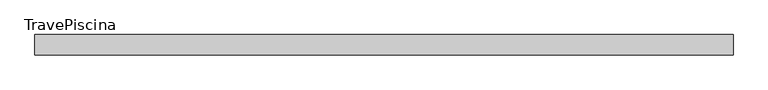
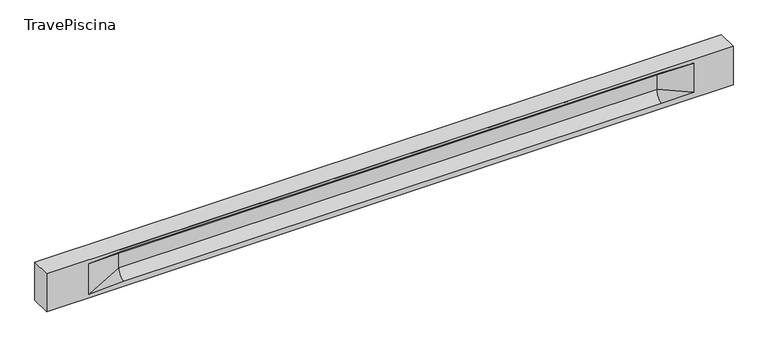
"""IFC4 building model written with IfcOpenShell, lengths in millimetres: beam geometry, TravePiscina."""

from ifc_helpers import new_model, si_unit, frame, origin, place, context, project, spatial, polyline, circle_curve, source, transform, mapped, element, save
from ifc_brep_helpers import plane_surface, revolved_surface, spline_surface, advanced_brep


def travepiscina_e04b5685(model_context):
    return source(origin(), model_context, "Body", "AdvancedBrep", [
        advanced_brep(
        [(8507.5, -250.0, 500.0), (8507.5, -250.0, -500.0), (8507.5, 250.0, -500.0), (8507.5, 250.0, 500.0), (-8507.5, -250.0, 500.0), (-8507.5, -250.0, -500.0), (7532.5, -250.0, -362.0), (6732.5, -250.0, -360.0), (-6607.5, -250.0, -360.0), (-7457.5, -250.0, -400.0), (-7457.5, -250.0, 400.0), (-6607.5, -250.0, 435.0), (6732.5, -250.0, 435.0), (7532.5, -250.0, 400.0), (-8507.5, 250.0, -500.0), (-8507.5, 250.0, 500.0), (7532.5, 250.0, 400.0), (6732.5, 250.0, 435.0), (-6607.5, 250.0, 435.0), (-7457.5, 250.0, 400.0), (-7457.5, 250.0, -400.0), (-6607.5, 250.0, -360.0), (6732.5, 250.0, -360.0), (7532.5, 250.0, -362.0), (6732.5, 155.0, 405.0), (-6607.5, 155.0, 405.0), (-6607.5, -60.0, 262.777021), (6732.5, -60.0, 262.777021), (6732.5, -155.0, 405.0), (-6607.5, -155.0, 405.0), (-6607.5, 60.0, 262.777021), (6732.5, 60.0, 262.777021), (6732.5, 60.0, -120.0), (-6607.5, 60.0, -120.0), (-6607.5, -60.0, -120.0), (6732.5, -60.0, -120.0)],
        [
            (0, 1),
            (1, 2),
            (2, 3),
            (3, 0),
            (0, 4),
            (4, 5),
            (5, 1),
            (6, 7),
            (7, 8),
            (8, 9),
            (9, 10),
            (10, 11),
            (11, 12),
            (12, 13),
            (13, 6),
            (5, 14),
            (14, 2),
            (14, 15),
            (15, 3),
            (16, 17),
            (17, 18),
            (18, 19),
            (19, 20),
            (20, 21),
            (21, 22),
            (22, 23),
            (23, 16),
            (15, 4),
            (17, 24),
            (24, 25),
            (25, 18),
            (26, 27),
            (27, 28, circle_curve(frame((6732.5, -213.9598725, 262.777021), z_axis=(1.0, 0.0, 0.0), x_axis=(0.0, 1.0, 0.0)), 153.9598725)),
            (28, 29),
            (29, 26, circle_curve(frame((-6607.5, -213.9598725, 262.777021), z_axis=(-1.0, 0.0, 0.0), x_axis=(0.0, 1.0, 0.0)), 153.9598725)),
            (30, 31),
            (31, 32),
            (32, 33),
            (33, 30),
            (28, 12),
            (11, 29),
            (34, 35),
            (35, 27),
            (26, 34),
            (25, 19),
            (22, 32, circle_curve(frame((6732.5, 306.5789474, -120.0), z_axis=(-1.0, 0.0, 0.0), x_axis=(0.0, 1.0, 0.0)), 246.5789474)),
            (32, 23),
            (10, 29),
            (10, 26),
            (13, 28),
            (27, 13),
            (30, 19),
            (25, 30, circle_curve(frame((-6607.5, 213.9598725, 262.777021), z_axis=(1.0, 0.0, 0.0), x_axis=(0.0, 1.0, 0.0)), 153.9598725)),
            (9, 34),
            (8, 34, circle_curve(frame((-6607.5, -306.5789474, -120.0), z_axis=(1.0, 0.0, 0.0), x_axis=(0.0, 1.0, 0.0)), 246.5789474)),
            (20, 33),
            (33, 21, circle_curve(frame((-6607.5, 306.5789474, -120.0), z_axis=(1.0, 0.0, 0.0), x_axis=(0.0, 1.0, 0.0)), 246.5789474)),
            (35, 6),
            (35, 7, circle_curve(frame((6732.5, -306.5789474, -120.0), z_axis=(-1.0, 0.0, 0.0), x_axis=(0.0, 1.0, 0.0)), 246.5789474)),
            (31, 16),
            (31, 24, circle_curve(frame((6732.5, 213.9598725, 262.777021), z_axis=(-1.0, 0.0, 0.0), x_axis=(0.0, 1.0, 0.0)), 153.9598725)),
            (24, 16),
        ],
        [
            plane_surface(frame((8507.5, 0.0, 0.0), z_axis=(1.0, 0.0, 0.0), x_axis=(0.0, 0.0, 1.0))),
            plane_surface(frame((8507.5, -250.0, 500.0), z_axis=(0.0, -1.0, 0.0), x_axis=(-1.0, 0.0, 0.0))),
            plane_surface(frame((8507.5, -250.0, -500.0), z_axis=(0.0, 0.0, -1.0), x_axis=(-1.0, 0.0, 0.0))),
            plane_surface(frame((8507.5, 250.0, -500.0), z_axis=(0.0, 1.0, 0.0), x_axis=(-1.0, 0.0, 0.0))),
            plane_surface(frame((8507.5, 250.0, 500.0), z_axis=(0.0, 0.0, 1.0), x_axis=(-1.0, 0.0, 0.0))),
            plane_surface(frame((-6607.5, 250.0, 435.0), z_axis=(0.0, 0.30113136793710954, -0.9535826651341378), x_axis=(1.0, 0.0, 0.0))),
            plane_surface(frame((-8507.5, 0.0, 0.0), z_axis=(-1.0, 0.0, 0.0), x_axis=(0.0, 0.0, 1.0))),
            revolved_surface(polyline([(6732.5, -60.0, 262.777021), (-6607.5, -60.0, 262.777021)]), (-6607.5, -213.9598725, 262.777021), (1.0, 0.0, 0.0)),
            plane_surface(frame((-6607.5, 60.0, 262.777021), z_axis=(0.0, 1.0, 0.0), x_axis=(1.0, 0.0, 0.0))),
            plane_surface(frame((-6607.5, -155.0, 405.0), z_axis=(0.0, -0.30113136793710693, -0.9535826651341387), x_axis=(1.0, 0.0, 0.0))),
            plane_surface(frame((-6607.5, -60.0, -120.0), z_axis=(0.0, -1.0, 0.0), x_axis=(1.0, 0.0, 0.0))),
            plane_surface(frame((-7457.5, 250.0, 400.0), z_axis=(0.03923493491469434, 0.30089950084952793, -0.9528484193567961), x_axis=(0.0, 0.9535826651341378, 0.30113136793710954))),
            spline_surface(2, 1, [[(6732.5, 250.0, -360.0), (7532.5, 250.0, -362.0)], [(6732.5, 60.00000002887427, -315.20833329480604), (7532.5, 250.0, -362.0)], [(6732.5, 60.0, -120.0), (7532.5, 250.0, -362.0)]], [3, 3], [2, 2], [0.0, 1.0], [0.0, 1.0], weights=[[1.0, 1.0], [0.7840458245391329, 0.7840458245391329], [1.0, 1.0]]),
            plane_surface(frame((-7457.5, -250.0, 400.0), z_axis=(0.03923493491469438, -0.3008995008495253, -0.952848419356797), x_axis=(0.0, 0.9535826651341387, -0.30113136793710693))),
            spline_surface(2, 1, [[(-7457.5, -250.0, 400.0), (-6607.5, -155.0, 405.0)], [(-7457.5, -250.0, 400.0), (-6607.5, -60.00000008030692, 365.6168572114734)], [(-7457.5, -250.0, 400.0), (-6607.5, -60.0, 262.777021)]], [3, 3], [2, 2], [0.0, 1.0], [0.0, 1.0], weights=[[1.0, 1.0], [0.8315515924557569, 0.8315515924557569], [1.0, 1.0]]),
            spline_surface(2, 1, [[(6732.5, -155.0, 405.0), (7532.5, -250.0, 400.0)], [(6732.5, -60.00000008030692, 365.6168572114734), (7532.5, -250.0, 400.0)], [(6732.5, -60.0, 262.777021), (7532.5, -250.0, 400.0)]], [3, 3], [2, 2], [0.0, 1.0], [0.0, 1.0], weights=[[1.0, 1.0], [0.8315515924557569, 0.8315515924557569], [1.0, 1.0]]),
            plane_surface(frame((6732.5, -202.5, 420.0), z_axis=(-0.04168298285568746, -0.30086965068766125, -0.9527538938442274), x_axis=(0.0, 0.9535826651341387, -0.30113136793710693))),
            spline_surface(2, 1, [[(-7457.5, 250.0, 400.0), (-6607.5, 60.0, 262.777021)], [(-7457.5, 250.0, 400.0), (-6607.5, 59.99999995452379, 365.6168572954922)], [(-7457.5, 250.0, 400.0), (-6607.5, 155.0, 405.0)]], [3, 3], [2, 2], [0.0, 1.0], [0.0, 1.0], weights=[[1.0, 1.0], [0.8315515921160737, 0.8315515921160737], [1.0, 1.0]]),
            plane_surface(frame((-7457.5, -250.0, 0.0), z_axis=(0.2181459637070523, -0.9759161534262671, 0.0), x_axis=(0.0, 0.0, -1.0))),
            spline_surface(2, 1, [[(-7457.5, -250.0, -400.0), (-6607.5, -60.0, -120.0)], [(-7457.5, -250.0, -400.0), (-6607.5, -59.99999998020837, -315.20833333333337)], [(-7457.5, -250.0, -400.0), (-6607.5, -250.0, -360.0)]], [3, 3], [2, 2], [0.0, 1.0], [0.0, 1.0], weights=[[1.0, 1.0], [0.7840458244617614, 0.7840458244617614], [1.0, 1.0]]),
            spline_surface(2, 1, [[(-7457.5, 250.0, -400.0), (-6607.5, 250.0, -360.0)], [(-7457.5, 250.0, -400.0), (-6607.5, 60.00000002887427, -315.20833329480604)], [(-7457.5, 250.0, -400.0), (-6607.5, 60.0, -120.0)]], [3, 3], [2, 2], [0.0, 1.0], [0.0, 1.0], weights=[[1.0, 1.0], [0.7840458245391329, 0.7840458245391329], [1.0, 1.0]]),
            plane_surface(frame((-7457.5, 250.0, 0.0), z_axis=(0.21814596370704822, 0.9759161534262681, 0.0), x_axis=(0.0, 0.0, 1.0))),
            plane_surface(frame((6732.5, -60.0, 71.3885105), z_axis=(-0.23107243079589737, -0.9729365507195602, 0.0), x_axis=(0.0, 0.0, -1.0))),
            spline_surface(2, 1, [[(6732.5, -60.0, -120.0), (7532.5, -250.0, -362.0)], [(6732.5, -59.99999998020837, -315.20833333333337), (7532.5, -250.0, -362.0)], [(6732.5, -250.0, -360.0), (7532.5, -250.0, -362.0)]], [3, 3], [2, 2], [0.0, 1.0], [0.0, 1.0], weights=[[1.0, 1.0], [0.7840458244617614, 0.7840458244617614], [1.0, 1.0]]),
            plane_surface(frame((6732.5, 60.0, 71.3885105), z_axis=(-0.23107243079589093, 0.9729365507195618, 0.0), x_axis=(0.0, 0.0, 1.0))),
            spline_surface(2, 1, [[(6732.5, 60.0, 262.777021), (7532.5, 250.0, 400.0)], [(6732.5, 59.99999995452379, 365.6168572954922), (7532.5, 250.0, 400.0)], [(6732.5, 155.0, 405.0), (7532.5, 250.0, 400.0)]], [3, 3], [2, 2], [0.0, 1.0], [0.0, 1.0], weights=[[1.0, 1.0], [0.8315515921160737, 0.8315515921160737], [1.0, 1.0]]),
            plane_surface(frame((6732.5, 202.5, 420.0), z_axis=(-0.04168298285568672, 0.30086965068766386, -0.9527538938442265), x_axis=(0.0, 0.9535826651341378, 0.30113136793710954))),
            revolved_surface(polyline([(6732.5, 367.919745, 262.777021), (-6607.5, 367.919745, 262.777021)]), (-6607.5, 213.9598725, 262.777021), (1.0, 0.0, 0.0)),
            revolved_surface(polyline([(6732.5, 553.1578948, -120.0), (-6607.5, 553.1578948, -120.0)]), (-6607.5, 306.5789474, -120.0), (1.0, 0.0, 0.0)),
            revolved_surface(polyline([(6732.5, -60.0, -120.0), (-6607.5, -60.0, -120.0)]), (-6607.5, -306.5789474, -120.0), (1.0, 0.0, 0.0)),
        ],
        [
            (0, [[1, 2, 3, 4]]),
            (1, [[-1, 5, 6, 7], [8, 9, 10, 11, 12, 13, 14, 15]]),
            (2, [[-2, -7, 16, 17]]),
            (3, [[-3, -17, 18, 19], [20, 21, 22, 23, 24, 25, 26, 27]]),
            (4, [[-5, -4, -19, 28]]),
            (5, [[-21, 29, 30, 31]]),
            (6, [[-28, -18, -16, -6]]),
            (7, [[32, 33, 34, 35]]),
            (8, [[36, 37, 38, 39]]),
            (9, [[-34, 40, -13, 41]]),
            (10, [[42, 43, -32, 44]]),
            (11, [[45, -22, -31]]),
            (12, [[-26, 46, 47]]),
            (13, [[-12, 48, -41]]),
            (14, [[-48, 49, -35]]),
            (15, [[50, -33, 51]]),
            (16, [[-14, -40, -50]]),
            (17, [[52, -45, 53]]),
            (18, [[-49, -11, 54, -44]]),
            (19, [[-54, -10, 55]]),
            (20, [[-24, 56, 57]]),
            (21, [[-52, -39, -56, -23]]),
            (22, [[-51, -43, 58, -15]]),
            (23, [[-58, 59, -8]]),
            (24, [[-47, -37, 60, -27]]),
            (25, [[-60, 61, 62]]),
            (26, [[-62, -29, -20]]),
            (27, [[-30, -61, -36, -53]]),
            (28, [[-38, -46, -25, -57]]),
            (29, [[-9, -59, -42, -55]]),
        ],
    ),
    ])


if __name__ == "__main__":
    model = new_model("IFC4")
    model_context = context("Model", 3, world=origin())
    ifc_project = project(units=[si_unit("LENGTHUNIT", "METRE", prefix="MILLI")], contexts=[model_context])
    site = spatial("IfcSite", under=ifc_project)
    building = spatial("IfcBuilding", under=site)
    placement = place(None, origin())
    travepiscina_shape = travepiscina_e04b5685(model_context)
    element("IfcBeam", 1, ObjectType="TravePiscina", at=placement, inside=building, context=model_context, shape_type="MappedRepresentation", body=[
        mapped(travepiscina_shape, transform((0.0, 0.0, 0.0), x_axis=(1.0, 0.0, 0.0), y_axis=(0.0, 1.0, 0.0), z_axis=(0.0, 0.0, 1.0))),
    ])
    save(model, "model.ifc")
